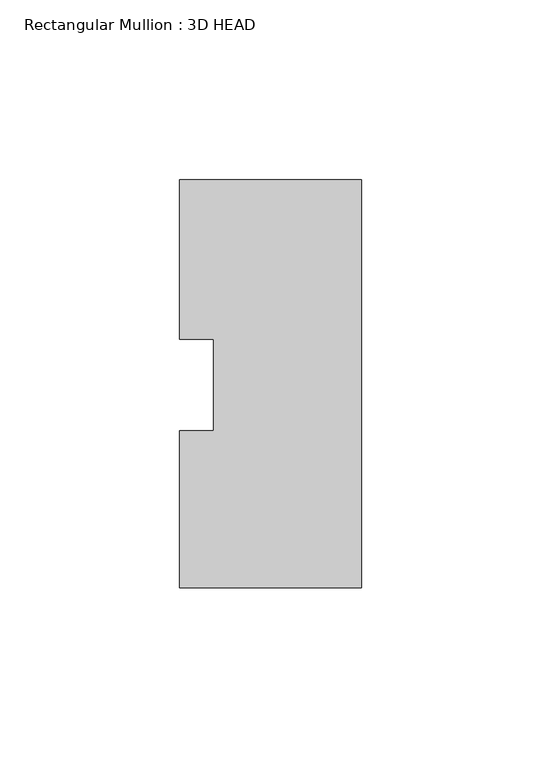
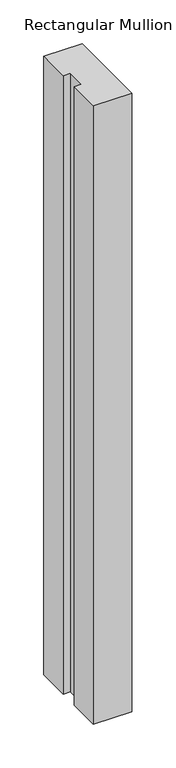
"""IFC4 building model written with IfcOpenShell, lengths in millimetres: member geometry, Rectangular Mullion : 3D HEAD."""

from ifc_helpers import new_model, si_unit, frame, origin, place, context, project, spatial, polyline, outline, extrude, source, transform, mapped, element, save


def rectangular_mullion_3d_head_46cf6b17(model_context):
    return source(origin(), model_context, "Body", "SweptSolid", [
        extrude(outline(polyline([(0.0, -56.4681052), (-50.8, -56.4681052), (-50.8, -12.6827714), (-41.275, -12.6827714), (-41.275, 12.8118553), (-50.8, 12.8118553), (-50.8, 57.2618553), (0.0, 57.2618553), (0.0, -56.4681052)])), frame((0.0, 0.0, -864.0942008), z_axis=(0.0, 0.0, 1.0), x_axis=(1.0, 0.0, 0.0)), (0.0, 0.0, 1.0), 864.0942008),
    ])


if __name__ == "__main__":
    model = new_model("IFC4")
    model_context = context("Model", 3, world=origin())
    ifc_project = project(units=[si_unit("LENGTHUNIT", "METRE", prefix="MILLI")], contexts=[model_context])
    site = spatial("IfcSite", under=ifc_project)
    building = spatial("IfcBuilding", under=site)
    placement = place(None, origin())
    rectangular_mullion_3d_head_shape = rectangular_mullion_3d_head_46cf6b17(model_context)
    element("IfcMember", 1, ObjectType="Rectangular Mullion : 3D HEAD", at=placement, inside=building, context=model_context, shape_type="MappedRepresentation", body=[
        mapped(rectangular_mullion_3d_head_shape, transform((0.0, 0.0, 0.0), x_axis=(1.0, 0.0, 0.0), y_axis=(0.0, 1.0, 0.0), z_axis=(0.0, 0.0, 1.0))),
    ])
    save(model, "model.ifc")
